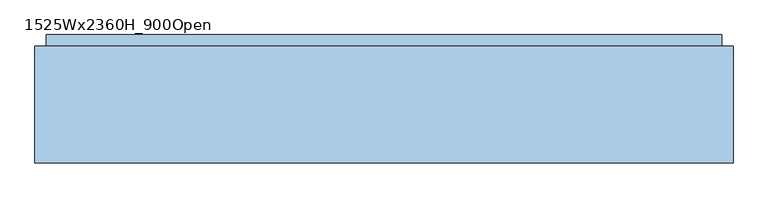
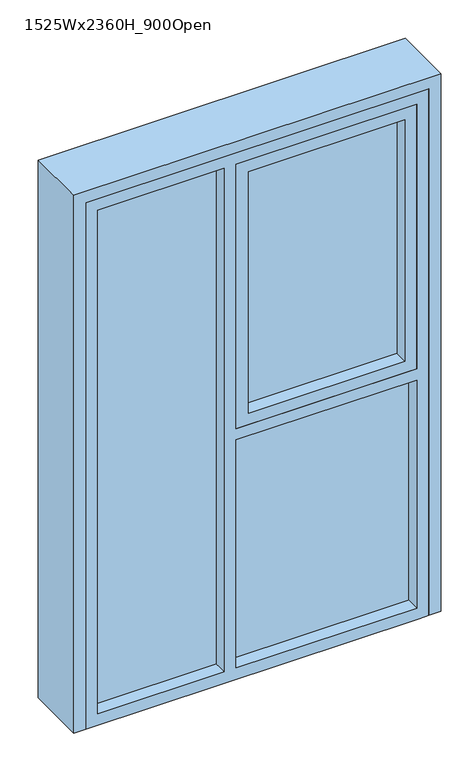
"""IFC4 building model written with IfcOpenShell, lengths in millimetres: window geometry, 1525Wx2360H_900Open."""

from ifc_helpers import new_model, si_unit, frame, origin, origin_with_axes, place, context, project, spatial, polyline, outline, extrude, faceted_brep, source, transform, mapped, element, save


def window_1525wx2360h_900open_31a40051(model_context):
    return source(origin(), model_context, "Body", "SolidModel", [
        extrude(outline(polyline([(612.5, 67.0), (612.5, 49.0), (-37.5, 49.0), (-37.5, 67.0), (612.5, 67.0)])), frame((0.0, 0.0, 1150.0), z_axis=(0.0, 0.0, 1.0), x_axis=(1.0, 0.0, 0.0)), (0.0, 0.0, 1.0), 1060.0),
        extrude(outline(polyline([(-137.5, 67.0), (-137.5, 49.0), (-662.5, 49.0), (-662.5, 67.0), (-137.5, 67.0)])), frame((0.0, 0.0, 50.0), z_axis=(0.0, 0.0, 1.0), x_axis=(1.0, 0.0, 0.0)), (0.0, 0.0, 1.0), 2210.0),
        extrude(outline(polyline([(2260.0, 662.5), (2260.0, -87.5), (1100.0, -87.5), (1100.0, 662.5), (2260.0, 662.5)]), holes=[polyline([(2210.0, 612.5), (1150.0, 612.5), (1150.0, -37.5), (2210.0, -37.5), (2210.0, 612.5)])]), frame((0.0, -8.0, 0.0), z_axis=(0.0, 1.0, 0.0), x_axis=(0.0, 0.0, 1.0)), (0.0, 0.0, 1.0), 100.0),
        faceted_brep([(737.5, 272.0, 2335.0), (737.5, 247.0, 2335.0), (737.5, 247.0, 0.0), (737.5, 272.0, 0.0), (762.5, 247.0, 0.0), (-737.5, 247.0, 2335.0), (-737.5, 247.0, 0.0), (-762.5, 247.0, 0.0), (-762.5, 247.0, 2360.0), (762.5, 247.0, 2360.0), (762.5, -8.0, 0.0), (712.5, -8.0, 0.0), (712.5, 272.0, 0.0), (-737.5, 272.0, 0.0), (-712.5, 272.0, 0.0), (-712.5, -8.0, 0.0), (-762.5, -8.0, 0.0), (-737.5, 272.0, 2335.0), (712.5, 272.0, 2310.0), (-712.5, 272.0, 2310.0), (-762.5, -8.0, 2360.0), (762.5, -8.0, 2360.0), (712.5, -8.0, 2310.0), (-712.5, -8.0, 2310.0)], [[[0, 1, 2, 3]], [[4, 2, 1, 5, 6, 7, 8, 9]], [[3, 2, 4, 10, 11, 12]], [[13, 14, 15, 16, 7, 6]], [[17, 0, 3, 12, 18, 19, 14, 13]], [[6, 5, 17, 13]], [[8, 7, 16, 20]], [[21, 10, 4, 9]], [[12, 11, 22, 18]], [[15, 14, 19, 23]], [[16, 15, 23, 22, 11, 10, 21, 20]], [[1, 0, 17, 5]], [[19, 18, 22, 23]], [[9, 8, 20, 21]]]),
        extrude(outline(polyline([(2310.0, -712.5), (0.0, -712.5), (0.0, 672.5), (0.0, 712.5), (2310.0, 712.5), (2310.0, -712.5)]), holes=[polyline([(1100.0, 662.5), (1100.0, -87.5), (2260.0, -87.5), (2260.0, 662.5), (1100.0, 662.5)]), polyline([(2260.0, -137.5), (50.0, -137.5), (50.0, -662.5), (2260.0, -662.5), (2260.0, -137.5)]), polyline([(1050.0, -87.5), (1050.0, 662.5), (50.0, 662.5), (50.0, -87.5), (1050.0, -87.5)])]), frame((0.0, -8.0, 0.0), z_axis=(0.0, 1.0, 0.0), x_axis=(0.0, 0.0, 1.0)), (0.0, 0.0, 1.0), 100.0),
        extrude(outline(polyline([(662.5, 67.0), (662.5, 49.0), (-87.5, 49.0), (-87.5, 67.0), (662.5, 67.0)])), frame((0.0, 0.0, 50.0), z_axis=(0.0, 0.0, 1.0), x_axis=(1.0, 0.0, 0.0)), (0.0, 0.0, 1.0), 1000.0),
        extrude(outline(polyline([(712.5, 272.0), (712.5, 92.0), (-712.5, 92.0), (-712.5, 272.0), (712.5, 272.0)])), origin_with_axes(), (0.0, 0.0, 1.0), 15.0),
    ])


if __name__ == "__main__":
    model = new_model("IFC4")
    model_context = context("Model", 3, world=origin())
    ifc_project = project(units=[si_unit("LENGTHUNIT", "METRE", prefix="MILLI")], contexts=[model_context])
    site = spatial("IfcSite", under=ifc_project)
    building = spatial("IfcBuilding", under=site)
    placement = place(None, origin())
    window_1525wx2360h_900open_shape = window_1525wx2360h_900open_31a40051(model_context)
    element("IfcWindow", 1, ObjectType="1525Wx2360H_900Open", at=placement, inside=building, context=model_context, shape_type="MappedRepresentation", body=[
        mapped(window_1525wx2360h_900open_shape, transform((0.0, 0.0, 0.0), x_axis=(1.0, 0.0, 0.0), y_axis=(0.0, 1.0, 0.0), z_axis=(0.0, 0.0, 1.0))),
    ])
    save(model, "model.ifc")
